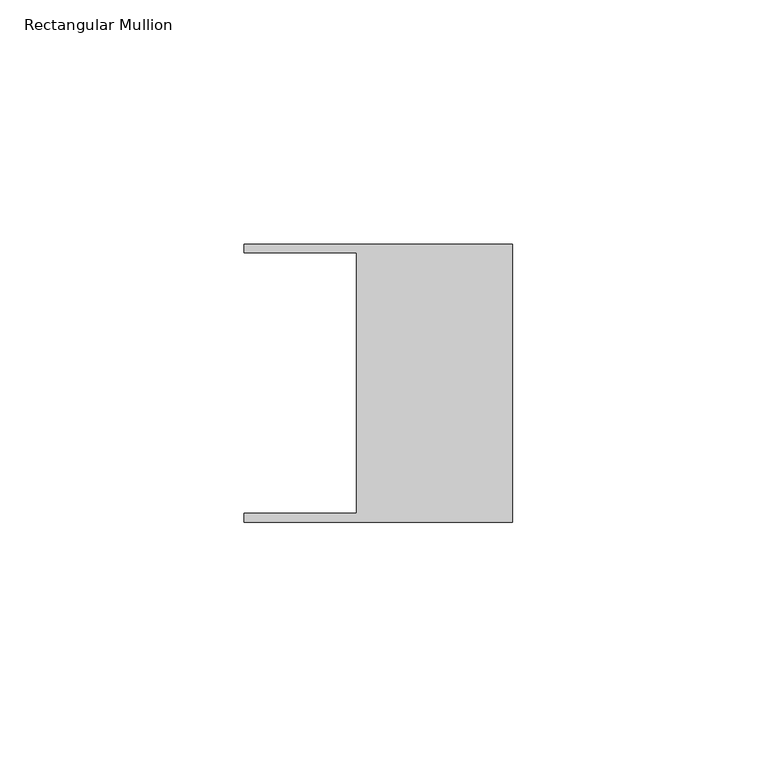
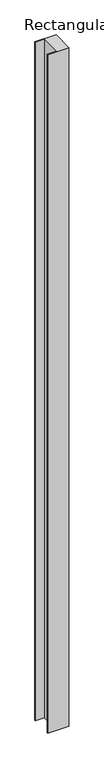
"""IFC4 building model written with IfcOpenShell, lengths in millimetres: member geometry, Rectangular Mullion."""

from ifc_helpers import new_model, si_unit, origin, place, context, project, spatial, faceted_brep, source, transform, mapped, element, save


def rectangular_mullion_5b844cca(model_context):
    return source(origin(), model_context, "Body", "Brep", [
        faceted_brep([(-32.004, -26.67, -1856.0380759), (-32.004, 26.67, -1856.0380759), (-54.991, 26.67, -1856.0380759), (-54.991, 28.448, -1856.0380759), (0.0, 28.448, -1856.0380759), (0.0, -28.448, -1856.0380759), (-54.991, -28.448, -1856.0380759), (-54.991, -26.67, -1856.0380759), (-54.991, -26.67, 0.0281942), (-32.004, -26.67, 0.0281942), (-54.991, -28.448, 0.0300738), (0.0, -28.448, 0.0300738), (0.0, 28.448, -0.0300738), (-54.991, 28.448, -0.0300738), (-54.991, 26.67, -0.0281942), (-32.004, 26.67, -0.0281942)], [[[0, 1, 2, 3, 4, 5, 6, 7]], [[8, 9, 0, 7]], [[10, 8, 7, 6]], [[11, 10, 6, 5]], [[12, 11, 5, 4]], [[13, 12, 4, 3]], [[14, 13, 3, 2]], [[15, 14, 2, 1]], [[9, 15, 1, 0]], [[9, 8, 10, 11, 12, 13, 14, 15]]]),
    ])


if __name__ == "__main__":
    model = new_model("IFC4")
    model_context = context("Model", 3, world=origin())
    ifc_project = project(units=[si_unit("LENGTHUNIT", "METRE", prefix="MILLI")], contexts=[model_context])
    site = spatial("IfcSite", under=ifc_project)
    building = spatial("IfcBuilding", under=site)
    placement = place(None, origin())
    rectangular_mullion_shape = rectangular_mullion_5b844cca(model_context)
    element("IfcMember", 1, ObjectType="Rectangular Mullion", at=placement, inside=building, context=model_context, shape_type="MappedRepresentation", body=[
        mapped(rectangular_mullion_shape, transform((0.0, 0.0, 0.0), x_axis=(1.0, 0.0, 0.0), y_axis=(0.0, 1.0, 0.0), z_axis=(0.0, 0.0, 1.0))),
    ])
    save(model, "model.ifc")
